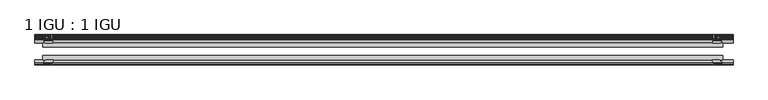
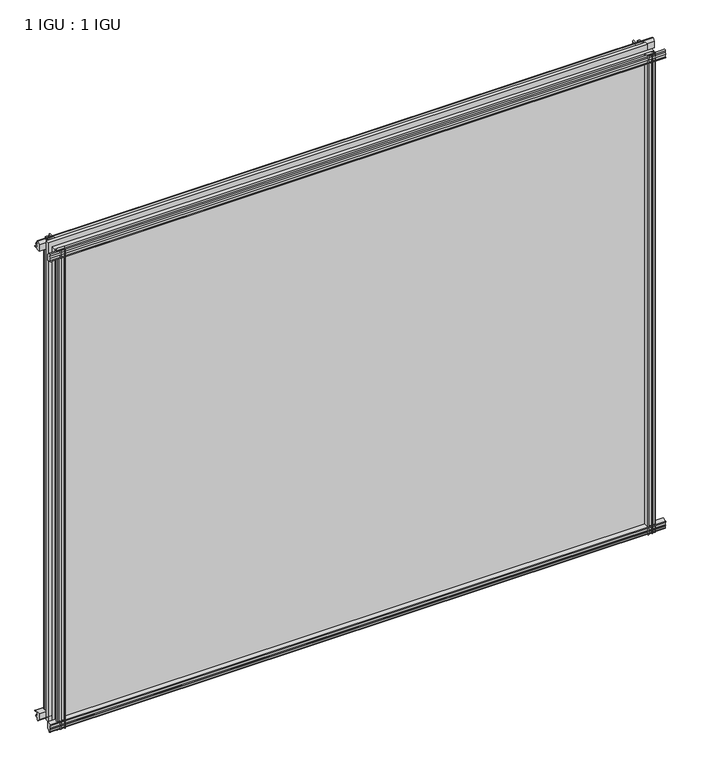
"""IFC4 building model written with IfcOpenShell, lengths in millimetres: plate geometry, 1 IGU : 1 IGU."""

from ifc_helpers import new_model, si_unit, point, frame, frame_2d, origin, place, context, project, spatial, polyline, circle_curve, trimmed, segment, composite_curve, outline, extrude, source, transform, mapped, element, save


def plate_1_igu_1_igu_b25b43c8(model_context):
    return source(origin(), model_context, "Body", "SweptSolid", [
        extrude(outline(composite_curve([segment(polyline([(-57.0900403, 1.731044), (-50.00625, 3.0983599), (-50.00625, -7.92383), (-54.1882244, -12.1058044)]), True, "CONTINUOUS"), segment(trimmed(circle_curve(frame_2d((-55.08625, -11.2077788)), 1.27), [point((-54.1882244, -12.1058044))], [point((-56.35625, -11.2077788))], False, "CARTESIAN"), True, "CONTINUOUS"), segment(polyline([(-56.35625, -11.2077788), (-56.35625, -8.0327788), (-57.835546, -5.4488186), (-56.35625, -5.1879788), (-56.35625, 0.2222212), (-57.65913, 0.0383748)]), True, "CONTINUOUS"), segment(trimmed(circle_curve(frame_2d((-56.9150839, 0.7302212)), 1.016), [point((-57.65913, 0.0383748))], [point((-57.0900403, 1.731044))], False, "CARTESIAN"), True, "CONTINUOUS")], self_intersect=False)), frame((-526.3689624, 0.0, 0.0), z_axis=(1.0, 0.0, 0.0), x_axis=(0.0, 1.0, 0.0)), (0.0, 0.0, 1.0), 1056.7765249),
        extrude(outline(composite_curve([segment(polyline([(-24.60625, 2.5763839), (-12.8423053, 1.6478499)]), True, "CONTINUOUS"), segment(trimmed(circle_curve(frame_2d((-12.92225, 0.635)), 1.016), [point((-12.8423053, 1.6478499))], [point((-12.1291353, 0.0))], False, "CARTESIAN"), True, "CONTINUOUS"), segment(polyline([(-12.1291353, 0.0), (-18.25625, 0.0), (-18.25625, -4.953), (-15.9568457, -5.5691235), (-16.3325195, -4.1670901), (-15.4738114, -3.937), (-14.82725, -6.35), (-15.4738114, -8.763), (-16.3325195, -8.5329099), (-15.9568457, -7.1308765), (-18.25625, -7.747), (-18.25625, -12.7), (-20.28825, -12.7), (-24.60625, -9.1036931), (-24.60625, 2.5763839)]), True, "CONTINUOUS")], self_intersect=False)), frame((-526.3689624, 0.0, 0.0), z_axis=(1.0, 0.0, 0.0), x_axis=(0.0, 1.0, 0.0)), (0.0, 0.0, 1.0), 1056.7765249),
        extrude(outline(composite_curve([segment(polyline([(-20.28825, 857.1484), (-18.25625, 857.1484), (-18.25625, 852.1954), (-15.9568457, 851.5792765), (-16.3325195, 852.9813099), (-15.4738114, 853.2114), (-14.82725, 850.7984), (-15.4738114, 848.3854), (-16.3325195, 848.6154901), (-15.9568457, 850.0175235), (-18.25625, 849.4014), (-18.25625, 844.4484), (-12.1291353, 844.4484)]), True, "CONTINUOUS"), segment(trimmed(circle_curve(frame_2d((-12.92225, 843.8134)), 1.016), [point((-12.1291353, 844.4484))], [point((-12.8423053, 842.8005501))], False, "CARTESIAN"), True, "CONTINUOUS"), segment(polyline([(-12.8423053, 842.8005501), (-24.60625, 841.8720161), (-24.60625, 853.5520931), (-20.28825, 857.1484)]), True, "CONTINUOUS")], self_intersect=False)), frame((-526.3689624, 0.0, 0.0), z_axis=(1.0, 0.0, 0.0), x_axis=(0.0, 1.0, 0.0)), (0.0, 0.0, 1.0), 1056.7765249),
        extrude(outline(composite_curve([segment(trimmed(circle_curve(frame_2d((-56.9150839, 843.7181788)), 1.016), [point((-57.0900403, 842.717356))], [point((-57.65913, 844.4100252))], False, "CARTESIAN"), True, "CONTINUOUS"), segment(polyline([(-57.65913, 844.4100252), (-56.35625, 844.2261788), (-56.35625, 849.6363788), (-57.835546, 849.8972186), (-56.35625, 852.4811788), (-56.35625, 855.6561788)]), True, "CONTINUOUS"), segment(trimmed(circle_curve(frame_2d((-55.08625, 855.6561788)), 1.27), [point((-56.35625, 855.6561788))], [point((-54.1882244, 856.5542044))], False, "CARTESIAN"), True, "CONTINUOUS"), segment(polyline([(-54.1882244, 856.5542044), (-50.00625, 852.37223), (-50.00625, 841.3500401), (-57.0900403, 842.717356)]), True, "CONTINUOUS")], self_intersect=False)), frame((-526.3689624, 0.0, 0.0), z_axis=(1.0, 0.0, 0.0), x_axis=(0.0, 1.0, 0.0)), (0.0, 0.0, 1.0), 1056.7765249),
        extrude(outline(composite_curve([segment(polyline([(499.2561785, -24.60625), (500.1847126, -12.8423053)]), True, "CONTINUOUS"), segment(trimmed(circle_curve(frame_2d((501.1975624, -12.92225)), 1.016), [point((500.1847126, -12.8423053))], [point((501.8325624, -12.1291353))], False, "CARTESIAN"), True, "CONTINUOUS"), segment(polyline([(501.8325624, -12.1291353), (501.8325624, -18.25625), (506.7855624, -18.25625), (507.401686, -15.9568457), (505.9996526, -16.3325195), (505.7695624, -15.4738114), (508.1825624, -14.82725), (510.5955624, -15.4738114), (510.3654723, -16.3325195), (508.9634389, -15.9568457), (509.5795624, -18.25625), (514.5325624, -18.25625), (514.5325624, -20.28825), (510.9362555, -24.60625), (499.2561785, -24.60625)]), True, "CONTINUOUS")], self_intersect=False)), frame((0.0, 0.0, -12.7), z_axis=(0.0, 0.0, 1.0), x_axis=(1.0, 0.0, 0.0)), (0.0, 0.0, 1.0), 869.8484),
        extrude(outline(composite_curve([segment(polyline([(507.0205412, -56.35625), (501.6103412, -56.35625), (501.7941876, -57.65913)]), True, "CONTINUOUS"), segment(trimmed(circle_curve(frame_2d((501.1023412, -56.9150839)), 1.016), [point((501.7941876, -57.65913))], [point((500.1015184, -57.0900403))], False, "CARTESIAN"), True, "CONTINUOUS"), segment(polyline([(500.1015184, -57.0900403), (498.7342025, -50.00625), (509.7563925, -50.00625), (513.9383668, -54.1882244)]), True, "CONTINUOUS"), segment(trimmed(circle_curve(frame_2d((513.0403412, -55.08625)), 1.27), [point((513.9383668, -54.1882244))], [point((513.0403412, -56.35625))], False, "CARTESIAN"), True, "CONTINUOUS"), segment(polyline([(513.0403412, -56.35625), (509.8653412, -56.35625), (507.281381, -57.835546), (507.0205412, -56.35625)]), True, "CONTINUOUS")], self_intersect=False)), frame((0.0, 0.0, -12.7), z_axis=(0.0, 0.0, 1.0), x_axis=(1.0, 0.0, 0.0)), (0.0, 0.0, 1.0), 869.8484),
        extrude(outline(composite_curve([segment(polyline([(-499.2561785, -24.60625), (-510.9362555, -24.60625), (-514.5325624, -20.28825), (-514.5325624, -18.25625), (-509.5795624, -18.25625), (-508.9634389, -15.9568457), (-510.3654723, -16.3325195), (-510.5955624, -15.4738114), (-508.1825624, -14.82725), (-505.7695624, -15.4738114), (-505.9996526, -16.3325195), (-507.401686, -15.9568457), (-506.7855624, -18.25625), (-501.8325624, -18.25625), (-501.8325624, -12.1291353)]), True, "CONTINUOUS"), segment(trimmed(circle_curve(frame_2d((-501.1975624, -12.92225)), 1.016), [point((-501.8325624, -12.1291353))], [point((-500.1847126, -12.8423053))], False, "CARTESIAN"), True, "CONTINUOUS"), segment(polyline([(-500.1847126, -12.8423053), (-499.2561785, -24.60625)]), True, "CONTINUOUS")], self_intersect=False)), frame((0.0, 0.0, -12.7), z_axis=(0.0, 0.0, 1.0), x_axis=(1.0, 0.0, 0.0)), (0.0, 0.0, 1.0), 869.8484),
        extrude(outline(composite_curve([segment(polyline([(-498.7342025, -50.00625), (-500.1015184, -57.0900403)]), True, "CONTINUOUS"), segment(trimmed(circle_curve(frame_2d((-501.1023412, -56.9150839)), 1.016), [point((-500.1015184, -57.0900403))], [point((-501.7941876, -57.65913))], False, "CARTESIAN"), True, "CONTINUOUS"), segment(polyline([(-501.7941876, -57.65913), (-501.6103412, -56.35625), (-507.0205412, -56.35625), (-507.281381, -57.835546), (-509.8653412, -56.35625), (-513.0403412, -56.35625)]), True, "CONTINUOUS"), segment(trimmed(circle_curve(frame_2d((-513.0403412, -55.08625)), 1.27), [point((-513.0403412, -56.35625))], [point((-513.9383668, -54.1882244))], False, "CARTESIAN"), True, "CONTINUOUS"), segment(polyline([(-513.9383668, -54.1882244), (-509.7563925, -50.00625), (-498.7342025, -50.00625)]), True, "CONTINUOUS")], self_intersect=False)), frame((0.0, 0.0, -12.7), z_axis=(0.0, 0.0, 1.0), x_axis=(1.0, 0.0, 0.0)), (0.0, 0.0, 1.0), 869.8484),
        extrude(outline(polyline([(-514.5325624, -24.60625), (514.5325624, -24.60625), (514.5325624, -30.95625), (-514.5325624, -30.95625), (-514.5325624, -24.60625)])), frame((0.0, 0.0, -12.7), z_axis=(0.0, 0.0, 1.0), x_axis=(1.0, 0.0, 0.0)), (0.0, 0.0, 1.0), 869.8484),
        extrude(outline(polyline([(514.5325624, -43.65625), (514.5325624, -50.00625), (-514.5325624, -50.00625), (-514.5325624, -43.65625), (514.5325624, -43.65625)])), frame((0.0, 0.0, -12.7), z_axis=(0.0, 0.0, 1.0), x_axis=(1.0, 0.0, 0.0)), (0.0, 0.0, 1.0), 869.8484),
    ])


if __name__ == "__main__":
    model = new_model("IFC4")
    model_context = context("Model", 3, world=origin())
    ifc_project = project(units=[si_unit("LENGTHUNIT", "METRE", prefix="MILLI")], contexts=[model_context])
    site = spatial("IfcSite", under=ifc_project)
    building = spatial("IfcBuilding", under=site)
    placement = place(None, origin())
    plate_1_igu_1_igu_shape = plate_1_igu_1_igu_b25b43c8(model_context)
    element("IfcPlate", 1, ObjectType="1 IGU : 1 IGU", at=placement, inside=building, context=model_context, shape_type="MappedRepresentation", body=[
        mapped(plate_1_igu_1_igu_shape, transform((0.0, 0.0, 0.0), x_axis=(1.0, 0.0, 0.0), y_axis=(0.0, 1.0, 0.0), z_axis=(0.0, 0.0, 1.0))),
    ])
    save(model, "model.ifc")
